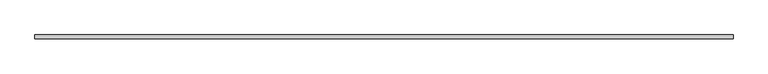
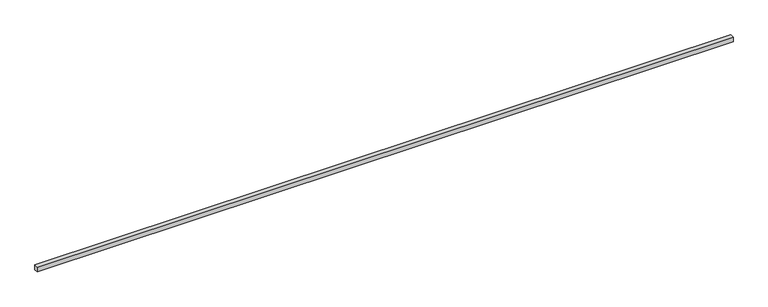
"""IFC4 building model written with IfcOpenShell, lengths in millimetres: proxy geometry."""

import ifcopenshell
import ifcopenshell.guid

model = None  # the IFC model being written
_history = None  # IfcOwnerHistory: only IFC2X3 demands one
_inside = {}  # id of a spatial element -> (the spatial element, [elements in it])
_under = {}  # id of a project, library or spatial element -> (it, [spatial elements below it])
_declared = {}  # id of a project -> (the project, [libraries it declares])
_typed = {}  # id of a type object -> (the type object, [elements of that type])
_made_of = {}  # id of a material, layer set ... -> (it, [elements and type objects made of it])


def new_model(schema):
    """Start an empty IFC model of exactly this schema.

    Asked for "IFC4X3", IfcOpenShell would pick the latest addendum, in which some entities
    have other attributes; the version numbers below select the first issue.
    IFC2X3 requires an IfcOwnerHistory on every rooted entity: one is made here for all.
    """
    global model, _history
    if schema == "IFC4X3":
        model = ifcopenshell.file(schema_version=(4, 3, 0, 0))
    else:
        model = ifcopenshell.file(schema=schema)
    _inside.clear()
    _under.clear()
    _declared.clear()
    _typed.clear()
    _made_of.clear()
    _history = None
    if model.schema == "IFC2X3":
        org = make("IfcOrganization", Name="unknown")
        user = make(
            "IfcPersonAndOrganization",
            ThePerson=make("IfcPerson", FamilyName="unknown"),
            TheOrganization=org,
        )
        app = make(
            "IfcApplication",
            ApplicationDeveloper=org,
            Version="unknown",
            ApplicationFullName="unknown",
            ApplicationIdentifier="unknown",
        )
        _history = make(
            "IfcOwnerHistory",
            OwningUser=user,
            OwningApplication=app,
            ChangeAction="ADDED",
            CreationDate=0,
        )
    return model


def make(cls, **values):
    """One entity of the class cls with the attributes given. An attribute that is None is left unset."""
    return model.create_entity(
        cls, **{name: value for name, value in values.items() if value is not None}
    )


def rooted(cls, **values):
    """An entity with a GlobalId (a new one), such as an element, a storey or a relation."""
    return make(cls, GlobalId=ifcopenshell.guid.new(), OwnerHistory=_history, **values)


def si_unit(unit_type, name, prefix=None):
    """IfcSIUnit, for example si_unit("LENGTHUNIT", "METRE", prefix="MILLI")."""
    return make("IfcSIUnit", UnitType=unit_type, Prefix=prefix, Name=name)


def assignment(units):
    """IfcUnitAssignment: the units of a project."""
    return None if units is None else make("IfcUnitAssignment", Units=units)


def point(xyz):
    """IfcCartesianPoint."""
    return None if xyz is None else make("IfcCartesianPoint", Coordinates=xyz)


def direction(xyz):
    """IfcDirection."""
    return None if xyz is None else make("IfcDirection", DirectionRatios=xyz)


def frame(location, z_axis=None, x_axis=None):
    """IfcAxis2Placement3D, a coordinate frame: its origin and axes. An axis left out is left unset."""
    return make(
        "IfcAxis2Placement3D",
        Location=point(location),
        Axis=direction(z_axis),
        RefDirection=direction(x_axis),
    )


def origin():
    """The frame at (0, 0, 0) with its axes left unset."""
    return frame((0.0, 0.0, 0.0))


def place(relative_to, where):
    """IfcLocalPlacement: puts the frame where relative to a parent placement (None: the world)."""
    return make(
        "IfcLocalPlacement", PlacementRelTo=relative_to, RelativePlacement=where
    )


def context(
    kind, dimensions, precision=None, world=None, true_north=None, identifier=None
):
    """IfcGeometricRepresentationContext, for example the 3D "Model" context."""
    return make(
        "IfcGeometricRepresentationContext",
        ContextIdentifier=identifier,
        ContextType=kind,
        CoordinateSpaceDimension=dimensions,
        Precision=precision,
        WorldCoordinateSystem=world,
        TrueNorth=true_north,
    )


def project(units=None, contexts=None):
    """IfcProject with its units and contexts."""
    return rooted(
        "IfcProject",
        Name="project",
        RepresentationContexts=contexts,
        UnitsInContext=assignment(units),
    )


def spatial(cls, under=None, at=None, **own):
    """A site, building, storey or space (cls), placed at a placement, below another one or the project."""
    s = rooted(cls, ObjectPlacement=at, **own)
    if under is not None:
        _under.setdefault(under.id(), (under, []))[1].append(s)
    return s


def polyline(points):
    """IfcPolyline through the points."""
    return make("IfcPolyline", Points=[point(p) for p in points])


def outline(outer, holes=None, kind="AREA"):
    """IfcArbitraryClosedProfileDef: a profile drawn as a closed curve; with holes, ...WithVoids."""
    if holes is None:
        return make("IfcArbitraryClosedProfileDef", ProfileType=kind, OuterCurve=outer)
    return make(
        "IfcArbitraryProfileDefWithVoids",
        ProfileType=kind,
        OuterCurve=outer,
        InnerCurves=holes,
    )


def extrude(swept, where, along, depth):
    """IfcExtrudedAreaSolid: the profile swept, set in the frame where, extruded along a direction by depth."""
    return make(
        "IfcExtrudedAreaSolid",
        SweptArea=swept,
        Position=where,
        ExtrudedDirection=direction(along),
        Depth=depth,
    )


def shape(context_of_items, identifier, shape_type, items):
    """IfcShapeRepresentation: the items that make up one representation, for example the "Body"."""
    return make(
        "IfcShapeRepresentation",
        ContextOfItems=context_of_items,
        RepresentationIdentifier=identifier,
        RepresentationType=shape_type,
        Items=items,
    )


def source(mapping_origin, context_of_items, identifier, shape_type, items):
    """IfcRepresentationMap: a shape defined once, which mapped items show again and again."""
    return make(
        "IfcRepresentationMap",
        MappingOrigin=mapping_origin,
        MappedRepresentation=shape(context_of_items, identifier, shape_type, items),
    )


def transform(
    local_origin,
    x_axis=None,
    y_axis=None,
    z_axis=None,
    scale=None,
    scale2=None,
    scale3=None,
    uniform=True,
):
    """IfcCartesianTransformationOperator3D, or its non-uniform kind. x_axis, y_axis, z_axis: its Axis1, 2, 3."""
    if uniform:
        return make(
            "IfcCartesianTransformationOperator3D",
            Axis1=direction(x_axis),
            Axis2=direction(y_axis),
            LocalOrigin=point(local_origin),
            Scale=scale,
            Axis3=direction(z_axis),
        )
    return make(
        "IfcCartesianTransformationOperator3DnonUniform",
        Axis1=direction(x_axis),
        Axis2=direction(y_axis),
        LocalOrigin=point(local_origin),
        Scale=scale,
        Axis3=direction(z_axis),
        Scale2=scale2,
        Scale3=scale3,
    )


def mapped(mapping_source, mapping_target):
    """IfcMappedItem: shows the shape of a source again, moved by a transform."""
    return make(
        "IfcMappedItem", MappingSource=mapping_source, MappingTarget=mapping_target
    )


def made_of(thing, what):
    """Note that an element or type object is made of a material, layer set ...; save() writes the relation."""
    if what is not None:
        _made_of.setdefault(what.id(), (what, []))[1].append(thing)
    return thing


def element(
    cls,
    number,
    at=None,
    inside=None,
    cuts=None,
    type_object=None,
    material=None,
    context=None,
    identifier="Body",
    shape_type=None,
    held_by="IfcProductDefinitionShape",
    body=None,
    shapes=None,
    **own,
):
    """One element of the class cls, such as IfcWall. Its Tag is "e" and its number.

    at: its placement. inside: the storey or other place that contains it. cuts: it is an
    opening in that element (IfcRelVoidsElement). A single representation is given by context,
    identifier, shape_type and body (its items); several are given by shapes. held_by: the class
    of the entity that holds the representations. save() writes the other relations.
    """
    e = rooted(cls, Tag="e%d" % number, ObjectPlacement=at, **own)
    if body is not None:
        shapes = [shape(context, identifier, shape_type, body)]
    if shapes is not None:
        e.Representation = make(held_by, Representations=shapes)
    if inside is not None:
        _inside.setdefault(inside.id(), (inside, []))[1].append(e)
    if cuts is not None:
        rooted(
            "IfcRelVoidsElement", RelatingBuildingElement=cuts, RelatedOpeningElement=e
        )
    if type_object is not None:
        _typed.setdefault(type_object.id(), (type_object, []))[1].append(e)
    return made_of(e, material)


def aggregate(whole, parts):
    """IfcRelAggregates: a whole, such as a stair, and the parts it consists of."""
    return rooted("IfcRelAggregates", RelatingObject=whole, RelatedObjects=parts)


def save(model, path):
    """Write the relations noted so far, then the file.

    IfcRelAggregates (storeys below a building ...), IfcRelContainedInSpatialStructure (elements
    in a storey), IfcRelDefinesByType, IfcRelAssociatesMaterial and IfcRelDeclares: one each for
    every whole, place, type object, material and project.
    """
    for whole, parts in _under.values():
        aggregate(whole, parts)
    for where, things in _inside.values():
        rooted(
            "IfcRelContainedInSpatialStructure",
            RelatedElements=things,
            RelatingStructure=where,
        )
    for kind, things in _typed.values():
        rooted("IfcRelDefinesByType", RelatedObjects=things, RelatingType=kind)
    for what, things in _made_of.values():
        rooted("IfcRelAssociatesMaterial", RelatedObjects=things, RelatingMaterial=what)
    for by, libraries in _declared.values():
        rooted("IfcRelDeclares", RelatingContext=by, RelatedDefinitions=libraries)
    model.write(path)


def generic_models_33d55ba4(model_context):
    return source(origin(), model_context, "Body", "SweptSolid", [
        extrude(outline(polyline([(40.0, 0.0), (-40.0, 0.0), (-40.0, 14080.0), (40.0, 14080.0), (40.0, 0.0)])), frame((14080.0, 0.0, 0.0), z_axis=(0.0, -1.9783474858313244e-12, 1.0), x_axis=(0.0, 1.0, 1.9783474858313244e-12)), (0.0, 0.0, 1.0), 100.0),
    ])


if __name__ == "__main__":
    model = new_model("IFC4")
    model_context = context("Model", 3, world=origin())
    ifc_project = project(units=[si_unit("LENGTHUNIT", "METRE", prefix="MILLI")], contexts=[model_context])
    site = spatial("IfcSite", under=ifc_project)
    building = spatial("IfcBuilding", under=site)
    placement = place(None, origin())
    generic_models_shape = generic_models_33d55ba4(model_context)
    element("IfcBuildingElementProxy", 1, Name="Generic Models", at=placement, inside=building, context=model_context, shape_type="MappedRepresentation", body=[
        mapped(generic_models_shape, transform((0.0, 0.0, 0.0), x_axis=(1.0, 0.0, 0.0), y_axis=(0.0, 1.0, 0.0), z_axis=(0.0, 0.0, 1.0))),
    ])
    save(model, "model.ifc")
